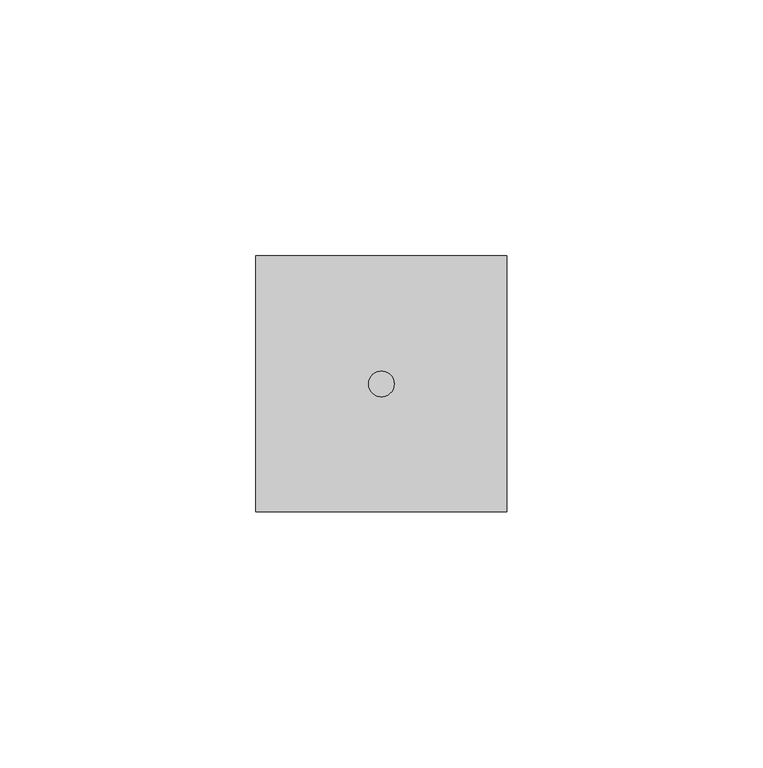
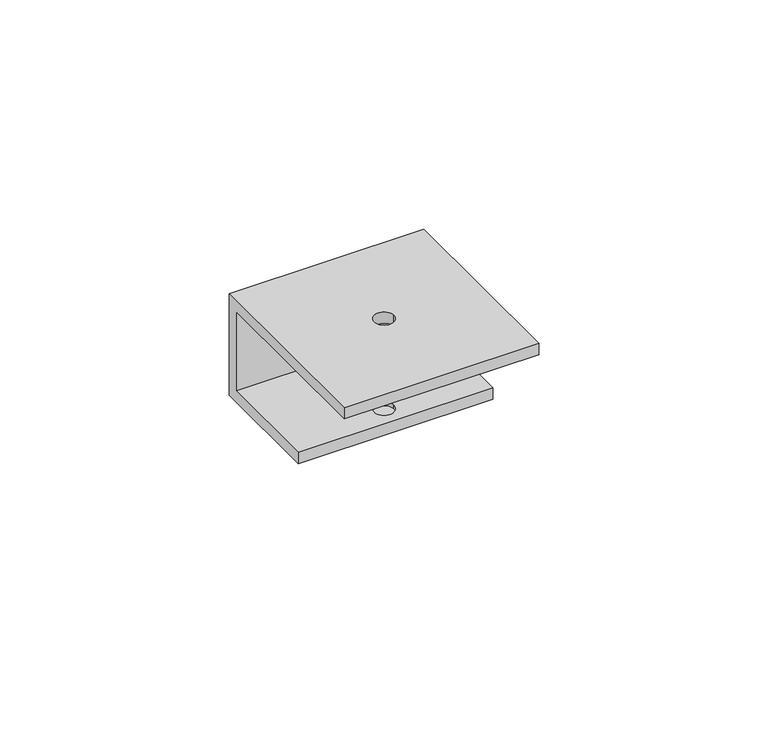
"""IFC4 building model written with IfcOpenShell, lengths in millimetres: proxy geometry."""

import ifcopenshell
import ifcopenshell.guid

model = None  # the IFC model being written
_history = None  # IfcOwnerHistory: only IFC2X3 demands one
_inside = {}  # id of a spatial element -> (the spatial element, [elements in it])
_under = {}  # id of a project, library or spatial element -> (it, [spatial elements below it])
_declared = {}  # id of a project -> (the project, [libraries it declares])
_typed = {}  # id of a type object -> (the type object, [elements of that type])
_made_of = {}  # id of a material, layer set ... -> (it, [elements and type objects made of it])


def new_model(schema):
    """Start an empty IFC model of exactly this schema.

    Asked for "IFC4X3", IfcOpenShell would pick the latest addendum, in which some entities
    have other attributes; the version numbers below select the first issue.
    IFC2X3 requires an IfcOwnerHistory on every rooted entity: one is made here for all.
    """
    global model, _history
    if schema == "IFC4X3":
        model = ifcopenshell.file(schema_version=(4, 3, 0, 0))
    else:
        model = ifcopenshell.file(schema=schema)
    _inside.clear()
    _under.clear()
    _declared.clear()
    _typed.clear()
    _made_of.clear()
    _history = None
    if model.schema == "IFC2X3":
        org = make("IfcOrganization", Name="unknown")
        user = make(
            "IfcPersonAndOrganization",
            ThePerson=make("IfcPerson", FamilyName="unknown"),
            TheOrganization=org,
        )
        app = make(
            "IfcApplication",
            ApplicationDeveloper=org,
            Version="unknown",
            ApplicationFullName="unknown",
            ApplicationIdentifier="unknown",
        )
        _history = make(
            "IfcOwnerHistory",
            OwningUser=user,
            OwningApplication=app,
            ChangeAction="ADDED",
            CreationDate=0,
        )
    return model


def make(cls, **values):
    """One entity of the class cls with the attributes given. An attribute that is None is left unset."""
    return model.create_entity(
        cls, **{name: value for name, value in values.items() if value is not None}
    )


def rooted(cls, **values):
    """An entity with a GlobalId (a new one), such as an element, a storey or a relation."""
    return make(cls, GlobalId=ifcopenshell.guid.new(), OwnerHistory=_history, **values)


def si_unit(unit_type, name, prefix=None):
    """IfcSIUnit, for example si_unit("LENGTHUNIT", "METRE", prefix="MILLI")."""
    return make("IfcSIUnit", UnitType=unit_type, Prefix=prefix, Name=name)


def assignment(units):
    """IfcUnitAssignment: the units of a project."""
    return None if units is None else make("IfcUnitAssignment", Units=units)


def point(xyz):
    """IfcCartesianPoint."""
    return None if xyz is None else make("IfcCartesianPoint", Coordinates=xyz)


def direction(xyz):
    """IfcDirection."""
    return None if xyz is None else make("IfcDirection", DirectionRatios=xyz)


def frame(location, z_axis=None, x_axis=None):
    """IfcAxis2Placement3D, a coordinate frame: its origin and axes. An axis left out is left unset."""
    return make(
        "IfcAxis2Placement3D",
        Location=point(location),
        Axis=direction(z_axis),
        RefDirection=direction(x_axis),
    )


def origin():
    """The frame at (0, 0, 0) with its axes left unset."""
    return frame((0.0, 0.0, 0.0))


def place(relative_to, where):
    """IfcLocalPlacement: puts the frame where relative to a parent placement (None: the world)."""
    return make(
        "IfcLocalPlacement", PlacementRelTo=relative_to, RelativePlacement=where
    )


def context(
    kind, dimensions, precision=None, world=None, true_north=None, identifier=None
):
    """IfcGeometricRepresentationContext, for example the 3D "Model" context."""
    return make(
        "IfcGeometricRepresentationContext",
        ContextIdentifier=identifier,
        ContextType=kind,
        CoordinateSpaceDimension=dimensions,
        Precision=precision,
        WorldCoordinateSystem=world,
        TrueNorth=true_north,
    )


def project(units=None, contexts=None):
    """IfcProject with its units and contexts."""
    return rooted(
        "IfcProject",
        Name="project",
        RepresentationContexts=contexts,
        UnitsInContext=assignment(units),
    )


def spatial(cls, under=None, at=None, **own):
    """A site, building, storey or space (cls), placed at a placement, below another one or the project."""
    s = rooted(cls, ObjectPlacement=at, **own)
    if under is not None:
        _under.setdefault(under.id(), (under, []))[1].append(s)
    return s


def polyline(points):
    """IfcPolyline through the points."""
    return make("IfcPolyline", Points=[point(p) for p in points])


def circle_curve(where, radius):
    """IfcCircle in the frame where."""
    return make("IfcCircle", Position=where, Radius=radius)


def shape(context_of_items, identifier, shape_type, items):
    """IfcShapeRepresentation: the items that make up one representation, for example the "Body"."""
    return make(
        "IfcShapeRepresentation",
        ContextOfItems=context_of_items,
        RepresentationIdentifier=identifier,
        RepresentationType=shape_type,
        Items=items,
    )


def source(mapping_origin, context_of_items, identifier, shape_type, items):
    """IfcRepresentationMap: a shape defined once, which mapped items show again and again."""
    return make(
        "IfcRepresentationMap",
        MappingOrigin=mapping_origin,
        MappedRepresentation=shape(context_of_items, identifier, shape_type, items),
    )


def transform(
    local_origin,
    x_axis=None,
    y_axis=None,
    z_axis=None,
    scale=None,
    scale2=None,
    scale3=None,
    uniform=True,
):
    """IfcCartesianTransformationOperator3D, or its non-uniform kind. x_axis, y_axis, z_axis: its Axis1, 2, 3."""
    if uniform:
        return make(
            "IfcCartesianTransformationOperator3D",
            Axis1=direction(x_axis),
            Axis2=direction(y_axis),
            LocalOrigin=point(local_origin),
            Scale=scale,
            Axis3=direction(z_axis),
        )
    return make(
        "IfcCartesianTransformationOperator3DnonUniform",
        Axis1=direction(x_axis),
        Axis2=direction(y_axis),
        LocalOrigin=point(local_origin),
        Scale=scale,
        Axis3=direction(z_axis),
        Scale2=scale2,
        Scale3=scale3,
    )


def mapped(mapping_source, mapping_target):
    """IfcMappedItem: shows the shape of a source again, moved by a transform."""
    return make(
        "IfcMappedItem", MappingSource=mapping_source, MappingTarget=mapping_target
    )


def made_of(thing, what):
    """Note that an element or type object is made of a material, layer set ...; save() writes the relation."""
    if what is not None:
        _made_of.setdefault(what.id(), (what, []))[1].append(thing)
    return thing


def element(
    cls,
    number,
    at=None,
    inside=None,
    cuts=None,
    type_object=None,
    material=None,
    context=None,
    identifier="Body",
    shape_type=None,
    held_by="IfcProductDefinitionShape",
    body=None,
    shapes=None,
    **own,
):
    """One element of the class cls, such as IfcWall. Its Tag is "e" and its number.

    at: its placement. inside: the storey or other place that contains it. cuts: it is an
    opening in that element (IfcRelVoidsElement). A single representation is given by context,
    identifier, shape_type and body (its items); several are given by shapes. held_by: the class
    of the entity that holds the representations. save() writes the other relations.
    """
    e = rooted(cls, Tag="e%d" % number, ObjectPlacement=at, **own)
    if body is not None:
        shapes = [shape(context, identifier, shape_type, body)]
    if shapes is not None:
        e.Representation = make(held_by, Representations=shapes)
    if inside is not None:
        _inside.setdefault(inside.id(), (inside, []))[1].append(e)
    if cuts is not None:
        rooted(
            "IfcRelVoidsElement", RelatingBuildingElement=cuts, RelatedOpeningElement=e
        )
    if type_object is not None:
        _typed.setdefault(type_object.id(), (type_object, []))[1].append(e)
    return made_of(e, material)


def aggregate(whole, parts):
    """IfcRelAggregates: a whole, such as a stair, and the parts it consists of."""
    return rooted("IfcRelAggregates", RelatingObject=whole, RelatedObjects=parts)


def save(model, path):
    """Write the relations noted so far, then the file.

    IfcRelAggregates (storeys below a building ...), IfcRelContainedInSpatialStructure (elements
    in a storey), IfcRelDefinesByType, IfcRelAssociatesMaterial and IfcRelDeclares: one each for
    every whole, place, type object, material and project.
    """
    for whole, parts in _under.values():
        aggregate(whole, parts)
    for where, things in _inside.values():
        rooted(
            "IfcRelContainedInSpatialStructure",
            RelatedElements=things,
            RelatingStructure=where,
        )
    for kind, things in _typed.values():
        rooted("IfcRelDefinesByType", RelatedObjects=things, RelatingType=kind)
    for what, things in _made_of.values():
        rooted("IfcRelAssociatesMaterial", RelatedObjects=things, RelatingMaterial=what)
    for by, libraries in _declared.values():
        rooted("IfcRelDeclares", RelatingContext=by, RelatedDefinitions=libraries)
    model.write(path)


def plane_surface(at):
    """IfcPlane: the flat surface through the origin of the frame at, square to its z axis."""
    return make("IfcPlane", Position=at)


def revolved_surface(curve, axis_point, axis_direction):
    """IfcSurfaceOfRevolution: the curve turned about the line through axis_point along axis_direction."""
    return make(
        "IfcSurfaceOfRevolution",
        SweptCurve=make("IfcArbitraryOpenProfileDef", ProfileType="CURVE", Curve=curve),
        AxisPosition=make("IfcAxis1Placement", Location=point(axis_point), Axis=direction(axis_direction)),
    )


def advanced_brep(points, edges, surfaces, faces):
    """IfcAdvancedBrep: a solid bounded by faces that lie on surfaces and meet in shared edges.

    An edge is (start, end): straight between two places in points (the first is 0);
    or (start, end, curve); or (start, end, curve, False) where it runs against its curve.
    A face is (place in surfaces, loops), or (place, loops, False) where it looks against
    its surface's normal. A loop lists edges by number (the first is 1), with a minus sign
    where the edge is run from its end to its start. The first loop is the outer one.
    """
    corners = [point(p) for p in points]
    vertices = [make("IfcVertexPoint", VertexGeometry=c) for c in corners]
    made = []
    for start, end, *more in edges:
        made.append(
            make(
                "IfcEdgeCurve",
                EdgeStart=vertices[start],
                EdgeEnd=vertices[end],
                EdgeGeometry=more[0] if more else make("IfcPolyline", Points=[corners[start], corners[end]]),
                SameSense=more[1] if len(more) > 1 else True,
            )
        )
    hull = []
    for where, loops, *sense in faces:
        bounds = []
        for j, loop in enumerate(loops):
            ring = [make("IfcOrientedEdge", EdgeElement=made[abs(k) - 1], Orientation=k > 0) for k in loop]
            bounds.append(
                make(
                    "IfcFaceOuterBound" if j == 0 else "IfcFaceBound",
                    Bound=make("IfcEdgeLoop", EdgeList=ring),
                    Orientation=True,
                )
            )
        hull.append(make("IfcAdvancedFace", Bounds=bounds, FaceSurface=surfaces[where], SameSense=sense[0] if sense else True))
    return make("IfcAdvancedBrep", Outer=make("IfcClosedShell", CfsFaces=hull))


def generic_models_e9cf81b0(model_context):
    return source(origin(), model_context, "Body", "AdvancedBrep", [
        advanced_brep(
        [(49.0, 0.0, 25.0), (49.0, -50.0, 25.0), (49.0, -50.0, 22.0), (49.0, -3.0, 22.0), (49.0, -3.0, 1.0), (49.0, -30.0, 1.0), (49.0, -30.0, -2.0), (49.0, 0.0, -2.0), (0.0, 0.0, 25.0), (0.0, 0.0, -2.0), (0.0, -30.0, -2.0), (0.0, -30.0, 1.0), (0.0, -3.0, 1.0), (0.0, -3.0, 22.0), (0.0, -50.0, 22.0), (0.0, -50.0, 25.0), (27.0, -25.0, 25.0), (22.0, -25.0, 25.0), (22.0, -25.0, 22.0), (27.0, -25.0, 22.0), (27.0, -25.0, 1.0), (22.0, -25.0, 1.0), (22.0, -25.0, 0.0), (27.0, -25.0, 0.0)],
        [
            (0, 1),
            (1, 2),
            (2, 3),
            (3, 4),
            (4, 5),
            (5, 6),
            (6, 7),
            (7, 0),
            (8, 9),
            (9, 10),
            (10, 11),
            (11, 12),
            (12, 13),
            (13, 14),
            (14, 15),
            (15, 8),
            (0, 8),
            (15, 1),
            (16, 17, circle_curve(frame((24.5, -25.0, 25.0), z_axis=(0.0, 0.0, -1.0), x_axis=(1.0, 0.0, 0.0)), 2.5)),
            (17, 16, circle_curve(frame((24.5, -25.0, 25.0), z_axis=(0.0, 0.0, -1.0), x_axis=(1.0, 0.0, 0.0)), 2.5)),
            (14, 2),
            (13, 3),
            (18, 19, circle_curve(frame((24.5, -25.0, 22.0), z_axis=(0.0, 0.0, 1.0), x_axis=(1.0, 0.0, 0.0)), 2.5)),
            (19, 18, circle_curve(frame((24.5, -25.0, 22.0), z_axis=(0.0, 0.0, 1.0), x_axis=(1.0, 0.0, 0.0)), 2.5)),
            (12, 4),
            (11, 5),
            (20, 21, circle_curve(frame((24.5, -25.0, 1.0), z_axis=(0.0, 0.0, -1.0), x_axis=(1.0, 0.0, 0.0)), 2.5)),
            (21, 20, circle_curve(frame((24.5, -25.0, 1.0), z_axis=(0.0, 0.0, -1.0), x_axis=(1.0, 0.0, 0.0)), 2.5)),
            (10, 6),
            (9, 7),
            (22, 23, circle_curve(frame((24.5, -25.0, 0.0), z_axis=(0.0, 0.0, 1.0), x_axis=(1.0, 0.0, 0.0)), 2.5)),
            (23, 22, circle_curve(frame((24.5, -25.0, 0.0), z_axis=(0.0, 0.0, 1.0), x_axis=(1.0, 0.0, 0.0)), 2.5)),
            (22, 21),
            (20, 23),
            (18, 17),
            (16, 19),
        ],
        [
            plane_surface(frame((49.0, 0.0, 25.0), z_axis=(1.0, 0.0, 0.0), x_axis=(0.0, -1.0, 0.0))),
            plane_surface(frame((0.0, 0.0, 25.0), z_axis=(-1.0, 0.0, 0.0), x_axis=(0.0, 1.0, 0.0))),
            plane_surface(frame((49.0, 0.0, 25.0), z_axis=(0.0, 0.0, 1.0), x_axis=(-1.0, 0.0, 0.0))),
            plane_surface(frame((49.0, -50.0, 25.0), z_axis=(0.0, -1.0, 0.0), x_axis=(-1.0, 0.0, 0.0))),
            plane_surface(frame((49.0, -50.0, 22.0), z_axis=(0.0, 0.0, -1.0), x_axis=(-1.0, 0.0, 0.0))),
            plane_surface(frame((49.0, -3.0, 22.0), z_axis=(0.0, -1.0, 0.0), x_axis=(-1.0, 0.0, 0.0))),
            plane_surface(frame((49.0, -3.0, 1.0), z_axis=(0.0, 0.0, 1.0), x_axis=(-1.0, 0.0, 0.0))),
            plane_surface(frame((49.0, -30.0, 1.0), z_axis=(0.0, -1.0, 0.0), x_axis=(-1.0, 0.0, 0.0))),
            plane_surface(frame((49.0, -30.0, -2.0), z_axis=(0.0, 0.0, -1.0), x_axis=(-1.0, 0.0, 0.0))),
            plane_surface(frame((49.0, 0.0, -2.0), z_axis=(0.0, 1.0, 0.0), x_axis=(-1.0, 0.0, 0.0))),
            plane_surface(frame((27.0, -25.0, 0.0), z_axis=(0.0, 0.0, 1.0), x_axis=(0.0, -1.0, 0.0))),
            revolved_surface(polyline([(27.0, -25.0, 1.0), (27.0, -25.0, 0.0)]), (24.5, -25.0, 0.0), (0.0, 0.0, 1.0)),
            revolved_surface(polyline([(27.0, -25.0, 25.0), (27.0, -25.0, 22.0)]), (24.5, -25.0, 0.0), (0.0, 0.0, 1.0)),
        ],
        [
            (0, [[1, 2, 3, 4, 5, 6, 7, 8]]),
            (1, [[9, 10, 11, 12, 13, 14, 15, 16]]),
            (2, [[-1, 17, -16, 18], [19, 20]]),
            (3, [[-2, -18, -15, 21]]),
            (4, [[-3, -21, -14, 22], [23, 24]]),
            (5, [[-4, -22, -13, 25]]),
            (6, [[-5, -25, -12, 26], [27, 28]]),
            (7, [[-6, -26, -11, 29]]),
            (8, [[-7, -29, -10, 30]]),
            (9, [[-8, -30, -9, -17]]),
            (10, [[31, 32]]),
            (11, [[-31, 33, -27, 34]]),
            (12, [[35, -19, 36, -23]]),
            (11, [[-32, -34, -28, -33]]),
            (12, [[-35, -24, -36, -20]]),
        ],
    ),
    ])


if __name__ == "__main__":
    model = new_model("IFC4")
    model_context = context("Model", 3, world=origin())
    ifc_project = project(units=[si_unit("LENGTHUNIT", "METRE", prefix="MILLI")], contexts=[model_context])
    site = spatial("IfcSite", under=ifc_project)
    building = spatial("IfcBuilding", under=site)
    placement = place(None, origin())
    generic_models_shape = generic_models_e9cf81b0(model_context)
    element("IfcBuildingElementProxy", 1, Name="Generic Models", at=placement, inside=building, context=model_context, shape_type="MappedRepresentation", body=[
        mapped(generic_models_shape, transform((0.0, 0.0, 0.0), x_axis=(1.0, 0.0, 0.0), y_axis=(0.0, 1.0, 0.0), z_axis=(0.0, 0.0, 1.0))),
    ])
    save(model, "model.ifc")
